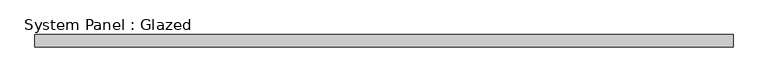
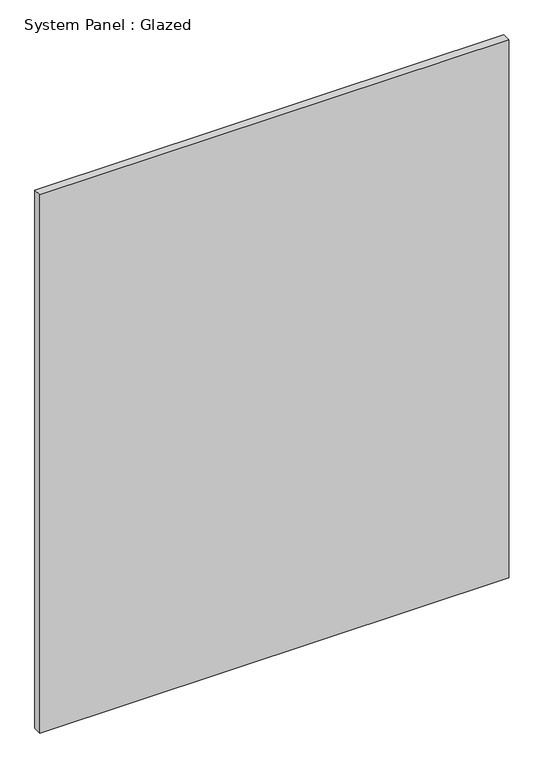
"""IFC4 building model written with IfcOpenShell, lengths in millimetres: plate geometry, System Panel : Glazed."""

from ifc_helpers import new_model, si_unit, origin, origin_with_axes, place, context, project, spatial, polyline, outline, extrude, source, transform, mapped, element, save


def system_panel_glazed_6570a243(model_context):
    return source(origin(), model_context, "Body", "SweptSolid", [
        extrude(outline(polyline([(714.375, 19.05), (-714.375, 19.05), (-714.375, 44.45), (714.375, 44.45), (714.375, 19.05)])), origin_with_axes(), (0.0, 0.0, 1.0), 1733.55),
    ])


if __name__ == "__main__":
    model = new_model("IFC4")
    model_context = context("Model", 3, world=origin())
    ifc_project = project(units=[si_unit("LENGTHUNIT", "METRE", prefix="MILLI")], contexts=[model_context])
    site = spatial("IfcSite", under=ifc_project)
    building = spatial("IfcBuilding", under=site)
    placement = place(None, origin())
    system_panel_glazed_shape = system_panel_glazed_6570a243(model_context)
    element("IfcPlate", 1, ObjectType="System Panel : Glazed", at=placement, inside=building, context=model_context, shape_type="MappedRepresentation", body=[
        mapped(system_panel_glazed_shape, transform((0.0, 0.0, 0.0), x_axis=(1.0, 0.0, 0.0), y_axis=(0.0, 1.0, 0.0), z_axis=(0.0, 0.0, 1.0))),
    ])
    save(model, "model.ifc")
